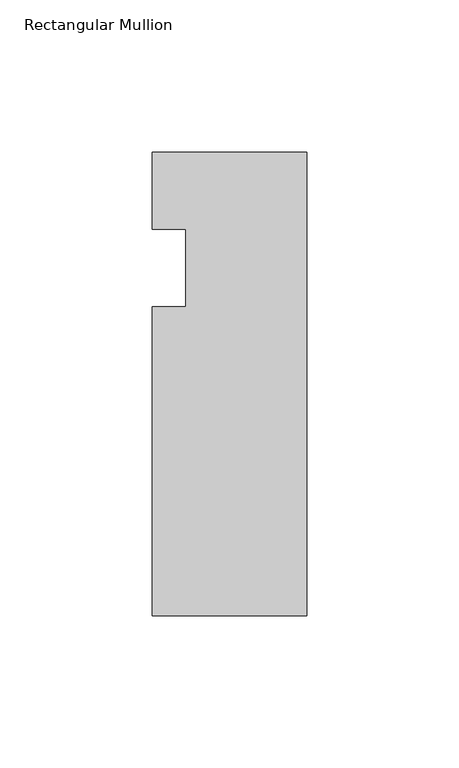
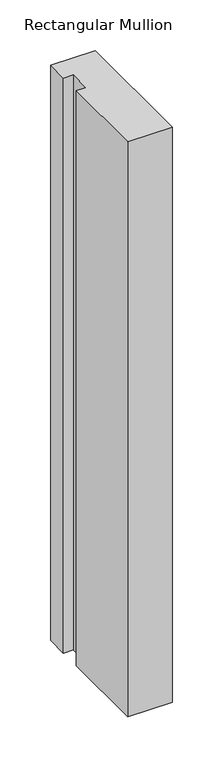
"""IFC4 building model written with IfcOpenShell, lengths in millimetres: member geometry, Rectangular Mullion."""

from ifc_helpers import new_model, si_unit, frame, origin, place, context, project, spatial, polyline, outline, extrude, source, transform, mapped, element, save


def rectangular_mullion_344972c1(model_context):
    return source(origin(), model_context, "Body", "SweptSolid", [
        extrude(outline(polyline([(0.0, 0.0), (0.0, -152.4), (-50.8, -152.4), (-50.8, -50.8), (-39.798625, -50.8), (-39.798625, -25.4), (-50.8, -25.4), (-50.8, 0.0), (0.0, 0.0)])), frame((0.0, 0.0, -694.2668569), z_axis=(0.0, 0.0, 1.0), x_axis=(1.0, 0.0, 0.0)), (0.0, 0.0, 1.0), 694.2668569),
    ])


if __name__ == "__main__":
    model = new_model("IFC4")
    model_context = context("Model", 3, world=origin())
    ifc_project = project(units=[si_unit("LENGTHUNIT", "METRE", prefix="MILLI")], contexts=[model_context])
    site = spatial("IfcSite", under=ifc_project)
    building = spatial("IfcBuilding", under=site)
    placement = place(None, origin())
    rectangular_mullion_shape = rectangular_mullion_344972c1(model_context)
    element("IfcMember", 1, ObjectType="Rectangular Mullion", at=placement, inside=building, context=model_context, shape_type="MappedRepresentation", body=[
        mapped(rectangular_mullion_shape, transform((0.0, 0.0, 0.0), x_axis=(1.0, 0.0, 0.0), y_axis=(0.0, 1.0, 0.0), z_axis=(0.0, 0.0, 1.0))),
    ])
    save(model, "model.ifc")
